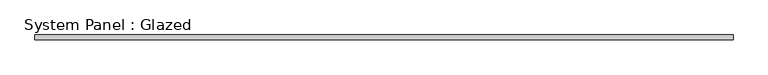
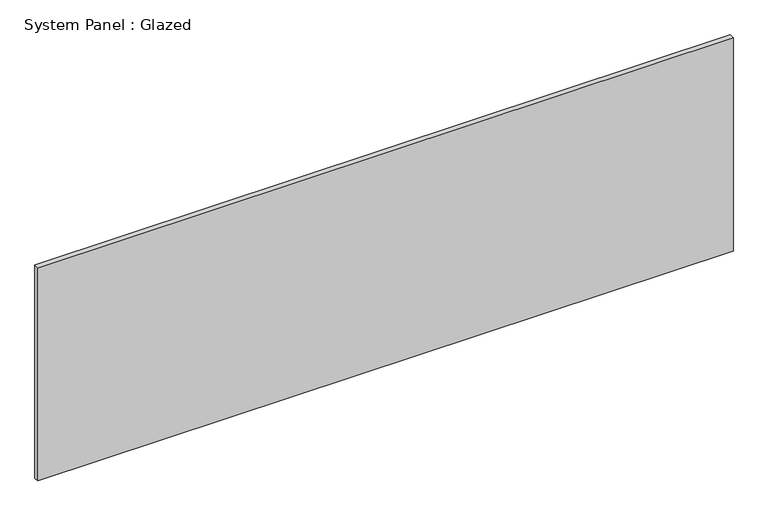
"""IFC4 building model written with IfcOpenShell, lengths in millimetres: plate geometry, System Panel : Glazed."""

from ifc_helpers import new_model, si_unit, origin, origin_with_axes, place, context, project, spatial, polyline, outline, extrude, source, transform, mapped, element, save


def system_panel_glazed_40578922(model_context):
    return source(origin(), model_context, "Body", "SweptSolid", [
        extrude(outline(polyline([(1781.175, -44.45), (-1781.175, -44.45), (-1781.175, -19.05), (1781.175, -19.05), (1781.175, -44.45)])), origin_with_axes(), (0.0, 0.0, 1.0), 1155.7),
    ])


if __name__ == "__main__":
    model = new_model("IFC4")
    model_context = context("Model", 3, world=origin())
    ifc_project = project(units=[si_unit("LENGTHUNIT", "METRE", prefix="MILLI")], contexts=[model_context])
    site = spatial("IfcSite", under=ifc_project)
    building = spatial("IfcBuilding", under=site)
    placement = place(None, origin())
    system_panel_glazed_shape = system_panel_glazed_40578922(model_context)
    element("IfcPlate", 1, ObjectType="System Panel : Glazed", at=placement, inside=building, context=model_context, shape_type="MappedRepresentation", body=[
        mapped(system_panel_glazed_shape, transform((0.0, 0.0, 0.0), x_axis=(1.0, 0.0, 0.0), y_axis=(0.0, 1.0, 0.0), z_axis=(0.0, 0.0, 1.0))),
    ])
    save(model, "model.ifc")
